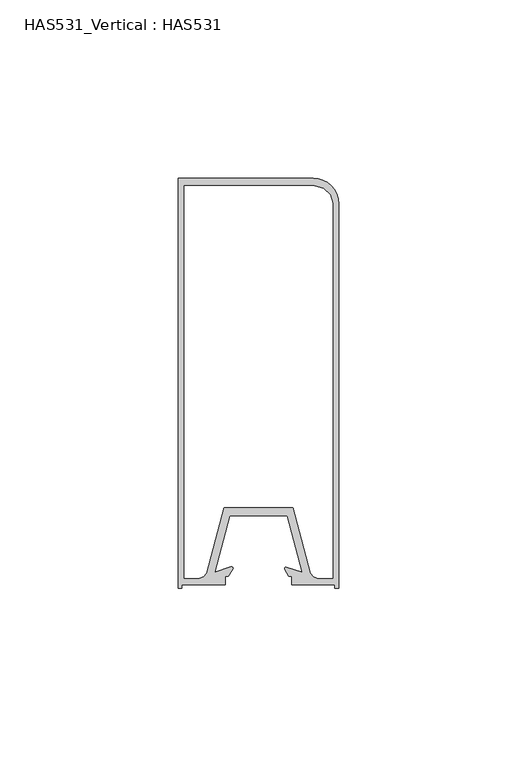
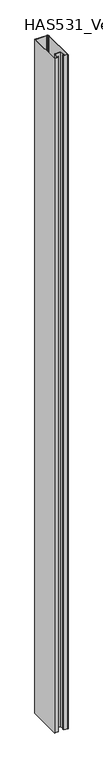
"""IFC4 building model written with IfcOpenShell, lengths in millimetres: beam geometry, HAS531_Vertical : HAS531."""

from ifc_helpers import new_model, si_unit, point, frame, frame_2d, origin, place, context, project, spatial, polyline, circle_curve, trimmed, segment, composite_curve, outline, extrude, source, transform, mapped, element, save


def has531_vertical_has531_ffbffa77(model_context):
    return source(origin(), model_context, "Body", "SweptSolid", [
        extrude(outline(composite_curve([segment(polyline([(8.0660377, -94.6839623), (-8.0660377, -94.6839623), (-12.262834, -110.5876113), (-7.7012269, -109.0670756)]), True, "CONTINUOUS"), segment(trimmed(circle_curve(frame_2d((-7.5626104, -109.4829252)), 0.4383439), [point((-7.7012269, -109.0670756))], [point((-7.1978862, -109.7260746))], False, "CARTESIAN"), True, "CONTINUOUS"), segment(polyline([(-7.1978862, -109.7260746), (-8.490566, -111.6650943), (-9.3396226, -111.6650943), (-9.3396226, -114.0), (-21.4386792, -114.0), (-21.4386792, -115.0613208), (-22.5, -115.0613208), (-22.5, 0.0), (15.3729239, 0.0)]), True, "CONTINUOUS"), segment(trimmed(circle_curve(frame_2d((15.3729239, -7.1270761)), 7.1270761), [point((15.3729239, 0.0))], [point((22.5, -7.1270761))], False, "CARTESIAN"), True, "CONTINUOUS"), segment(polyline([(22.5, -7.1270761), (22.5, -115.0613208), (21.4386792, -115.0613208), (21.4386792, -114.0), (9.3396226, -114.0), (9.3396226, -111.6650943), (8.490566, -111.6650943), (7.3932894, -109.6899963)]), True, "CONTINUOUS"), segment(trimmed(circle_curve(frame_2d((7.7396669, -109.4975643)), 0.3962417), [point((7.3932894, -109.6899963))], [point((7.8649695, -109.1216565))], False, "CARTESIAN"), True, "CONTINUOUS"), segment(polyline([(7.8649695, -109.1216565), (12.262834, -110.5876113), (8.0660377, -94.6839623)]), True, "CONTINUOUS")], self_intersect=False), holes=[polyline([(9.7641509, -92.3490566), (14.6462264, -110.8160377), (15.495283, -111.8773585), (16.5566038, -112.3018868), (20.8018868, -112.3018868), (20.8018868, -7.004717), (20.1650943, -4.6698113), (18.254717, -2.759434), (15.7075472, -2.1226415), (-20.8018868, -2.1226415), (-20.8018868, -112.3018868), (-16.5566038, -112.3018868), (-15.495283, -111.8773585), (-14.6462264, -110.8160377), (-9.7641509, -92.3490566), (9.7641509, -92.3490566)])]), frame((0.0, 0.0, -1200.0), z_axis=(0.0, 0.0, 1.0), x_axis=(1.0, 0.0, 0.0)), (0.0, 0.0, 1.0), 2400.0),
    ])


if __name__ == "__main__":
    model = new_model("IFC4")
    model_context = context("Model", 3, world=origin())
    ifc_project = project(units=[si_unit("LENGTHUNIT", "METRE", prefix="MILLI")], contexts=[model_context])
    site = spatial("IfcSite", under=ifc_project)
    building = spatial("IfcBuilding", under=site)
    placement = place(None, origin())
    has531_vertical_has531_shape = has531_vertical_has531_ffbffa77(model_context)
    element("IfcBeam", 1, ObjectType="HAS531_Vertical : HAS531", at=placement, inside=building, context=model_context, shape_type="MappedRepresentation", body=[
        mapped(has531_vertical_has531_shape, transform((0.0, 0.0, 0.0), x_axis=(1.0, 0.0, 0.0), y_axis=(0.0, 1.0, 0.0), z_axis=(0.0, 0.0, 1.0))),
    ])
    save(model, "model.ifc")
